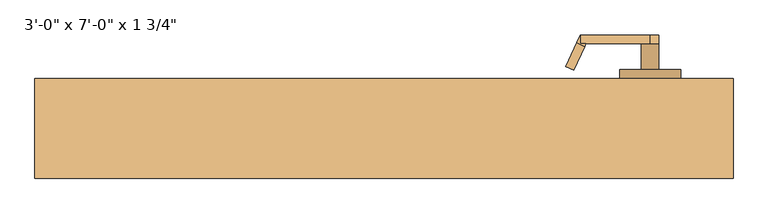
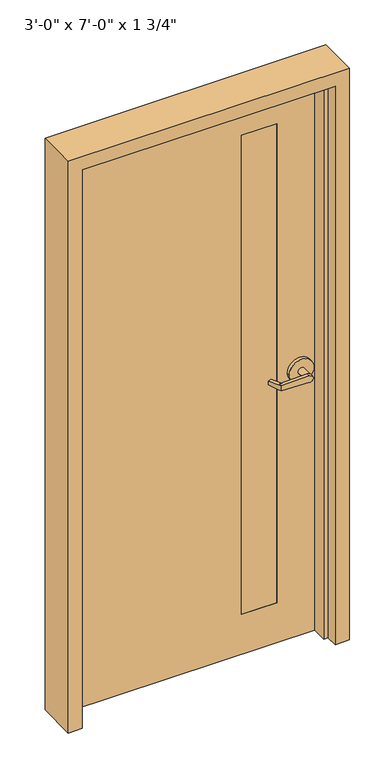
"""IFC4 building model written with IfcOpenShell, lengths in millimetres: door geometry."""

from ifc_helpers import new_model, si_unit, frame, origin, place, context, project, spatial, polyline, circle_curve, outline, extrude, faceted_brep, source, transform, mapped, element, save
from ifc_brep_helpers import plane_surface, cylinder_surface, advanced_brep


def door_f2fa802e(model_context):
    return source(origin(), model_context, "Body", "SolidModel", [
        advanced_brep(
        [(291.892857, -18.0476392, 1006.475), (275.7911012, 16.4826875, 1009.65), (275.7911012, 16.4826875, 1022.35), (291.892857, -18.0476392, 1025.525), (293.8407923, -22.225, 1025.525), (293.8407923, -22.225, 1006.475), (285.75, -34.925, 1025.525), (280.3827481, -23.4148911, 1025.525), (264.2809923, 11.1154356, 1022.35), (264.2809923, 11.1154356, 1009.65), (280.3827481, -23.4148911, 1006.475), (285.75, -34.925, 1006.475), (285.75, -22.225, 1006.475), (285.75, -22.225, 1025.525), (386.9525418, -34.925, 1003.3062209), (386.9525418, -34.925, 1028.6937791), (386.9525418, -22.225, 1028.6937791), (374.65, -22.225, 1016.0), (386.9525418, -22.225, 1003.3062209), (400.05, -22.225, 1016.0), (400.05, 15.875, 1016.0), (374.65, 15.875, 1016.0), (431.8, 15.875, 1016.0), (342.9, 15.875, 1016.0), (431.8, 28.575, 1016.0), (342.9, 28.575, 1016.0)],
        [
            (0, 1),
            (1, 2),
            (2, 3),
            (3, 4),
            (4, 5),
            (5, 0),
            (6, 7),
            (7, 8),
            (8, 9),
            (9, 10),
            (10, 11),
            (11, 6),
            (10, 0),
            (5, 12),
            (12, 11),
            (9, 1),
            (8, 2),
            (7, 3),
            (6, 13),
            (13, 4),
            (11, 14),
            (14, 15, circle_curve(frame((387.35, -34.925, 1016.0), z_axis=(0.0, -1.0, 0.0), x_axis=(-1.0, 0.0, 0.0)), 12.7)),
            (15, 6),
            (13, 16),
            (16, 17, circle_curve(frame((387.35, -22.225, 1016.0), z_axis=(0.0, -1.0, 0.0), x_axis=(-1.0, 0.0, 0.0)), 12.7)),
            (17, 18, circle_curve(frame((387.35, -22.225, 1016.0), z_axis=(0.0, -1.0, 0.0), x_axis=(-1.0, 0.0, 0.0)), 12.7)),
            (18, 12),
            (18, 14),
            (18, 19, circle_curve(frame((387.35, -22.225, 1016.0), z_axis=(0.0, -1.0, 0.0), x_axis=(-1.0, 0.0, 0.0)), 12.7)),
            (19, 16, circle_curve(frame((387.35, -22.225, 1016.0), z_axis=(0.0, -1.0, 0.0), x_axis=(-1.0, 0.0, 0.0)), 12.7)),
            (16, 15),
            (19, 20),
            (20, 21, circle_curve(frame((387.35, 15.875, 1016.0), z_axis=(0.0, -1.0, 0.0), x_axis=(-1.0, 0.0, 0.0)), 12.7)),
            (21, 17),
            (21, 20, circle_curve(frame((387.35, 15.875, 1016.0), z_axis=(0.0, -1.0, 0.0), x_axis=(-1.0, 0.0, 0.0)), 12.7)),
            (22, 23, circle_curve(frame((387.35, 15.875, 1016.0), z_axis=(0.0, -1.0, 0.0), x_axis=(-1.0, 0.0, 0.0)), 44.45)),
            (23, 22, circle_curve(frame((387.35, 15.875, 1016.0), z_axis=(0.0, -1.0, 0.0), x_axis=(-1.0, 0.0, 0.0)), 44.45)),
            (24, 25, circle_curve(frame((387.35, 28.575, 1016.0), z_axis=(0.0, 1.0, 0.0), x_axis=(-1.0, 0.0, 0.0)), 44.45)),
            (25, 24, circle_curve(frame((387.35, 28.575, 1016.0), z_axis=(0.0, 1.0, 0.0), x_axis=(-1.0, 0.0, 0.0)), 44.45)),
            (22, 24),
            (25, 23),
        ],
        [
            plane_surface(frame((297.2601089, -29.5577481, 1006.475), z_axis=(0.9063077870366494, 0.4226182617407007, 0.0), x_axis=(0.0, 0.0, -1.0))),
            plane_surface(frame((285.75, -34.925, 1006.475), z_axis=(-0.9063077870366494, -0.4226182617407007, 0.0), x_axis=(0.0, 0.0, 1.0))),
            plane_surface(frame((297.2601089, -29.5577481, 1006.475), z_axis=(0.0, 0.0, -1.0000000000000002), x_axis=(-0.9063077870366494, -0.42261826174070094, 0.0))),
            plane_surface(frame((291.892857, -18.0476392, 1006.475), z_axis=(-0.035096536341209586, 0.07526476506963879, -0.9965457582448799), x_axis=(-0.9063077870366494, -0.42261826174070094, 0.0))),
            plane_surface(frame((275.7911012, 16.4826875, 1009.65), z_axis=(-0.42261826174070094, 0.9063077870366494, 0.0), x_axis=(-0.9063077870366494, -0.42261826174070094, 0.0))),
            plane_surface(frame((275.7911012, 16.4826875, 1022.35), z_axis=(-0.03509653634121044, 0.07526476506964089, 0.9965457582448796), x_axis=(-0.9063077870366495, -0.42261826174070033, 0.0))),
            plane_surface(frame((291.892857, -18.0476392, 1025.525), z_axis=(0.0, 0.0, 1.0000000000000002), x_axis=(-0.9063077870366494, -0.42261826174070094, 0.0))),
            plane_surface(frame((285.75, -34.925, 1006.475), z_axis=(0.0, -1.0, 0.0), x_axis=(0.9995101626549141, 0.0, -0.03129592225110647))),
            plane_surface(frame((285.75, -22.225, 1006.475), z_axis=(0.0, 1.0, 0.0), x_axis=(-0.9995101626549141, 0.0, 0.03129592225110647))),
            plane_surface(frame((285.75, -34.925, 1006.475), z_axis=(-0.03129592225110647, 0.0, -0.9995101626549141), x_axis=(0.0, 1.0, 0.0))),
            cylinder_surface(frame((387.35, -22.225, 1016.0), z_axis=(0.0, -1.0, 0.0), x_axis=(-1.0, 0.0, 0.0)), 12.7),
            plane_surface(frame((386.9525418, -34.925, 1028.6937791), z_axis=(-0.03129592225110282, 0.0, 0.9995101626549142), x_axis=(0.0, 1.0, 0.0))),
            cylinder_surface(frame((387.35, 15.875, 1016.0), z_axis=(0.0, -1.0, 0.0), x_axis=(-1.0, 0.0, 0.0)), 12.7),
            plane_surface(frame((342.9, 15.875, 1016.0), z_axis=(0.0, -1.0, 0.0), x_axis=(0.0, 0.0, -1.0))),
            plane_surface(frame((342.9, 28.575, 1016.0), z_axis=(0.0, 1.0, 0.0), x_axis=(0.0, 0.0, 1.0))),
            cylinder_surface(frame((387.35, 28.575, 1016.0), z_axis=(0.0, -1.0, 0.0), x_axis=(-1.0, 0.0, 0.0)), 44.45),
        ],
        [
            (0, [[1, 2, 3, 4, 5, 6]]),
            (1, [[7, 8, 9, 10, 11, 12]]),
            (2, [[-11, 13, -6, 14, 15]]),
            (3, [[-1, -13, -10, 16]]),
            (4, [[-2, -16, -9, 17]]),
            (5, [[-3, -17, -8, 18]]),
            (6, [[-7, 19, 20, -4, -18]]),
            (7, [[21, 22, 23, -12]]),
            (8, [[24, 25, 26, 27, -14, -5, -20]]),
            (9, [[-21, -15, -27, 28]]),
            (10, [[-22, -28, 29, 30, 31]]),
            (11, [[-23, -31, -24, -19]]),
            (12, [[32, 33, 34, -25, -30]]),
            (12, [[-32, -29, -26, -34, 35]]),
            (13, [[36, 37], [-33, -35]]),
            (14, [[38, 39]]),
            (15, [[-36, 40, -39, 41]]),
            (15, [[-37, -41, -38, -40]]),
        ],
    ),
        advanced_brep(
        [(291.892857, 119.6476392, 1025.525), (275.7911012, 85.1173125, 1022.35), (275.7911012, 85.1173125, 1009.65), (291.892857, 119.6476392, 1006.475), (293.8407923, 123.825, 1006.475), (293.8407923, 123.825, 1025.525), (285.75, 136.525, 1006.475), (280.3827481, 125.0148911, 1006.475), (264.2809923, 90.4845644, 1009.65), (264.2809923, 90.4845644, 1022.35), (280.3827481, 125.0148911, 1025.525), (285.75, 136.525, 1025.525), (285.75, 123.825, 1025.525), (285.75, 123.825, 1006.475), (386.9525418, 136.525, 1028.6937791), (386.9525418, 136.525, 1003.3062209), (386.9525418, 123.825, 1003.3062209), (374.65, 123.825, 1016.0), (386.9525418, 123.825, 1028.6937791), (400.05, 123.825, 1016.0), (400.05, 85.725, 1016.0), (374.65, 85.725, 1016.0), (431.8, 85.725, 1016.0), (342.9, 85.725, 1016.0), (431.8, 73.025, 1016.0), (342.9, 73.025, 1016.0)],
        [
            (0, 1),
            (1, 2),
            (2, 3),
            (3, 4),
            (4, 5),
            (5, 0),
            (6, 7),
            (7, 8),
            (8, 9),
            (9, 10),
            (10, 11),
            (11, 6),
            (10, 0),
            (5, 12),
            (12, 11),
            (9, 1),
            (8, 2),
            (7, 3),
            (6, 13),
            (13, 4),
            (11, 14),
            (14, 15, circle_curve(frame((387.35, 136.525, 1016.0), z_axis=(0.0, 1.0, 0.0), x_axis=(-1.0, 0.0, 0.0)), 12.7)),
            (15, 6),
            (13, 16),
            (16, 17, circle_curve(frame((387.35, 123.825, 1016.0), z_axis=(0.0, 1.0, 0.0), x_axis=(-1.0, 0.0, 0.0)), 12.7)),
            (17, 18, circle_curve(frame((387.35, 123.825, 1016.0), z_axis=(0.0, 1.0, 0.0), x_axis=(-1.0, 0.0, 0.0)), 12.7)),
            (18, 12),
            (18, 14),
            (18, 19, circle_curve(frame((387.35, 123.825, 1016.0), z_axis=(0.0, 1.0, 0.0), x_axis=(-1.0, 0.0, 0.0)), 12.7)),
            (19, 16, circle_curve(frame((387.35, 123.825, 1016.0), z_axis=(0.0, 1.0, 0.0), x_axis=(-1.0, 0.0, 0.0)), 12.7)),
            (16, 15),
            (19, 20),
            (20, 21, circle_curve(frame((387.35, 85.725, 1016.0), z_axis=(0.0, 1.0, 0.0), x_axis=(-1.0, 0.0, 0.0)), 12.7)),
            (21, 17),
            (21, 20, circle_curve(frame((387.35, 85.725, 1016.0), z_axis=(0.0, 1.0, 0.0), x_axis=(-1.0, 0.0, 0.0)), 12.7)),
            (22, 23, circle_curve(frame((387.35, 85.725, 1016.0), z_axis=(0.0, 1.0, 0.0), x_axis=(-1.0, 0.0, 0.0)), 44.45)),
            (23, 22, circle_curve(frame((387.35, 85.725, 1016.0), z_axis=(0.0, 1.0, 0.0), x_axis=(-1.0, 0.0, 0.0)), 44.45)),
            (24, 25, circle_curve(frame((387.35, 73.025, 1016.0), z_axis=(0.0, -1.0, 0.0), x_axis=(-1.0, 0.0, 0.0)), 44.45)),
            (25, 24, circle_curve(frame((387.35, 73.025, 1016.0), z_axis=(0.0, -1.0, 0.0), x_axis=(-1.0, 0.0, 0.0)), 44.45)),
            (22, 24),
            (25, 23),
        ],
        [
            plane_surface(frame((297.2601089, 131.1577481, 1025.525), z_axis=(0.9063077870366494, -0.4226182617407007, 0.0), x_axis=(0.0, 0.0, 1.0))),
            plane_surface(frame((285.75, 136.525, 1025.525), z_axis=(-0.9063077870366494, 0.4226182617407007, 0.0), x_axis=(0.0, 0.0, -1.0))),
            plane_surface(frame((297.2601089, 131.1577481, 1025.525), z_axis=(0.0, 0.0, 1.0000000000000002), x_axis=(-0.9063077870366494, 0.42261826174070094, 0.0))),
            plane_surface(frame((291.892857, 119.6476392, 1025.525), z_axis=(-0.03509653634120952, -0.07526476506963879, 0.9965457582448799), x_axis=(-0.9063077870366494, 0.42261826174070094, 0.0))),
            plane_surface(frame((275.7911012, 85.1173125, 1022.35), z_axis=(-0.42261826174070094, -0.9063077870366494, 0.0), x_axis=(-0.9063077870366494, 0.42261826174070094, 0.0))),
            plane_surface(frame((275.7911012, 85.1173125, 1009.65), z_axis=(-0.03509653634121051, -0.07526476506964089, -0.9965457582448796), x_axis=(-0.9063077870366495, 0.42261826174070033, 0.0))),
            plane_surface(frame((291.892857, 119.6476392, 1006.475), z_axis=(0.0, 0.0, -1.0000000000000002), x_axis=(-0.9063077870366494, 0.42261826174070094, 0.0))),
            plane_surface(frame((285.75, 136.525, 1025.525), z_axis=(0.0, 1.0, 0.0), x_axis=(0.9995101626549141, 0.0, 0.0312959222511064))),
            plane_surface(frame((285.75, 123.825, 1025.525), z_axis=(0.0, -1.0, 0.0), x_axis=(-0.9995101626549141, 0.0, -0.0312959222511064))),
            plane_surface(frame((285.75, 136.525, 1025.525), z_axis=(-0.0312959222511064, 0.0, 0.9995101626549141), x_axis=(0.0, -1.0, 0.0))),
            cylinder_surface(frame((387.35, 123.825, 1016.0), z_axis=(0.0, 1.0, 0.0), x_axis=(-1.0, 0.0, 0.0)), 12.7),
            plane_surface(frame((386.9525418, 136.525, 1003.3062209), z_axis=(-0.03129592225110289, 0.0, -0.9995101626549142), x_axis=(0.0, -1.0, 0.0))),
            cylinder_surface(frame((387.35, 85.725, 1016.0), z_axis=(0.0, 1.0, 0.0), x_axis=(-1.0, 0.0, 0.0)), 12.7),
            plane_surface(frame((342.9, 85.725, 1016.0), z_axis=(0.0, 1.0, 0.0), x_axis=(0.0, 0.0, 1.0))),
            plane_surface(frame((342.9, 73.025, 1016.0), z_axis=(0.0, -1.0, 0.0), x_axis=(0.0, 0.0, -1.0))),
            cylinder_surface(frame((387.35, 73.025, 1016.0), z_axis=(0.0, 1.0, 0.0), x_axis=(-1.0, 0.0, 0.0)), 44.45),
        ],
        [
            (0, [[1, 2, 3, 4, 5, 6]]),
            (1, [[7, 8, 9, 10, 11, 12]]),
            (2, [[-11, 13, -6, 14, 15]]),
            (3, [[-1, -13, -10, 16]]),
            (4, [[-2, -16, -9, 17]]),
            (5, [[-3, -17, -8, 18]]),
            (6, [[-7, 19, 20, -4, -18]]),
            (7, [[21, 22, 23, -12]]),
            (8, [[24, 25, 26, 27, -14, -5, -20]]),
            (9, [[-21, -15, -27, 28]]),
            (10, [[-22, -28, 29, 30, 31]]),
            (11, [[-23, -31, -24, -19]]),
            (12, [[32, 33, 34, -25, -30]]),
            (12, [[-32, -29, -26, -34, 35]]),
            (13, [[36, 37], [-33, -35]]),
            (14, [[38, 39]]),
            (15, [[-36, 40, -39, 41]]),
            (15, [[-37, -41, -38, -40]]),
        ],
    ),
        extrude(outline(polyline([(177.8, 73.025), (304.8, 73.025), (304.8, 28.575), (177.8, 28.575), (177.8, 73.025)])), frame((0.0, 0.0, 152.4), z_axis=(0.0, 0.0, 1.0), x_axis=(1.0, 0.0, 0.0)), (0.0, 0.0, 1.0), 1828.8),
        extrude(outline(polyline([(2133.6, -457.2), (0.0, -457.2), (0.0, 457.2), (2133.6, 457.2), (2133.6, -457.2)]), holes=[polyline([(152.4, 177.8), (1981.2, 177.8), (1981.2, 304.8), (152.4, 304.8), (152.4, 177.8)])]), frame((0.0, 28.575, 0.0), z_axis=(0.0, 1.0, 0.0), x_axis=(0.0, 0.0, 1.0)), (0.0, 0.0, 1.0), 44.45),
        faceted_brep([(-457.2, 73.025, 0.0), (-457.2, 28.575, 0.0), (-441.325, 28.575, 0.0), (-441.325, -28.575, 0.0), (-457.2, -28.575, 0.0), (-457.2, -73.025, 0.0), (-508.0, -73.025, 0.0), (-508.0, 73.025, 0.0), (-457.2, 73.025, 2133.6), (-457.2, 28.575, 2133.6), (457.2, 28.575, 2133.6), (457.2, 28.575, 0.0), (441.325, 28.575, 0.0), (441.325, 28.575, 2117.725), (-441.325, 28.575, 2117.725), (-441.325, -28.575, 2117.725), (441.325, -28.575, 2117.725), (441.325, -28.575, 0.0), (457.2, -28.575, 0.0), (457.2, -28.575, 2133.6), (-457.2, -28.575, 2133.6), (-457.2, -73.025, 2133.6), (457.2, -73.025, 2133.6), (457.2, -73.025, 0.0), (508.0, -73.025, 0.0), (508.0, -73.025, 2184.4), (-508.0, -73.025, 2184.4), (-508.0, 73.025, 2184.4), (508.0, 73.025, 2184.4), (508.0, 73.025, 0.0), (457.2, 73.025, 0.0), (457.2, 73.025, 2133.6)], [[[0, 1, 2, 3, 4, 5, 6, 7]], [[1, 0, 8, 9]], [[2, 1, 9, 10, 11, 12, 13, 14]], [[3, 2, 14, 15]], [[4, 3, 15, 16, 17, 18, 19, 20]], [[5, 4, 20, 21]], [[6, 5, 21, 22, 23, 24, 25, 26]], [[7, 6, 26, 27]], [[0, 7, 27, 28, 29, 30, 31, 8]], [[30, 11, 10, 31]], [[30, 29, 24, 23, 18, 17, 12, 11]], [[12, 17, 16, 13]], [[19, 18, 23, 22]], [[29, 28, 25, 24]], [[25, 28, 27, 26]], [[21, 20, 19, 22]], [[15, 14, 13, 16]], [[10, 9, 8, 31]]]),
    ])


if __name__ == "__main__":
    model = new_model("IFC4")
    model_context = context("Model", 3, world=origin())
    ifc_project = project(units=[si_unit("LENGTHUNIT", "METRE", prefix="MILLI")], contexts=[model_context])
    site = spatial("IfcSite", under=ifc_project)
    building = spatial("IfcBuilding", under=site)
    placement = place(None, origin())
    door_shape = door_f2fa802e(model_context)
    element("IfcDoor", 1, ObjectType="3'-0\" x 7'-0\" x 1 3/4\"", at=placement, inside=building, context=model_context, shape_type="MappedRepresentation", body=[
        mapped(door_shape, transform((0.0, 0.0, 0.0), x_axis=(1.0, 0.0, 0.0), y_axis=(0.0, 1.0, 0.0), z_axis=(0.0, 0.0, 1.0))),
    ])
    save(model, "model.ifc")
